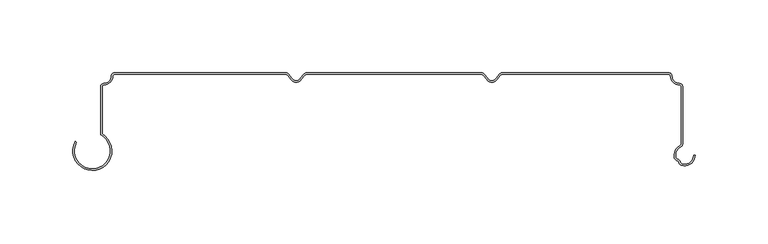
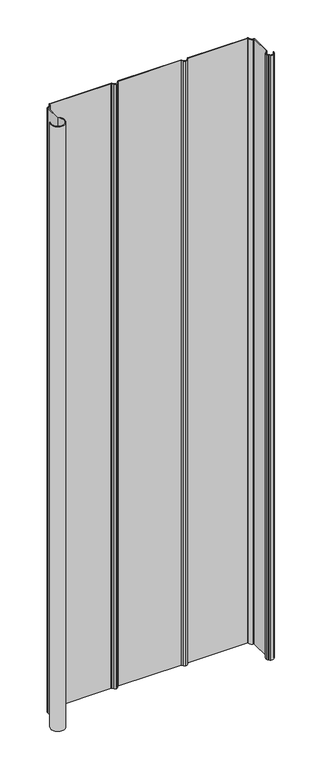
"""IFC4 building model written with IfcOpenShell, lengths in millimetres: plate geometry."""

from ifc_helpers import new_model, si_unit, point, frame_2d, origin, origin_with_axes, place, context, project, spatial, polyline, circle_curve, trimmed, segment, composite_curve, outline, extrude, source, transform, mapped, element, save


def plate_b1782430(model_context):
    return source(origin(), model_context, "Body", "SweptSolid", [
        extrude(outline(composite_curve([segment(polyline([(61.7509422, -1.016), (-58.482424, -1.016)]), True, "CONTINUOUS"), segment(trimmed(circle_curve(frame_2d((-58.3312707, -2.5726732)), 1.5639945), [point((-58.482424, -1.016))], [point((-59.6055521, -1.6658736))], True, "CARTESIAN"), True, "CONTINUOUS"), segment(polyline([(-59.6055521, -1.6658736), (-61.8577546, -4.4520544)]), True, "CONTINUOUS"), segment(trimmed(circle_curve(frame_2d((-65.7941789, -1.8878413)), 4.6979383), [point((-61.8577546, -4.4520544))], [point((-65.4833333, -6.5754846))], False, "CARTESIAN"), True, "CONTINUOUS"), segment(trimmed(circle_curve(frame_2d((-65.1734304, -1.8877792)), 4.697938), [point((-65.4833333, -6.5754846))], [point((-69.1093407, -4.4527805))], False, "CARTESIAN"), True, "CONTINUOUS"), segment(polyline([(-69.1093407, -4.4527805), (-71.3621011, -1.6670508)]), True, "CONTINUOUS"), segment(trimmed(circle_curve(frame_2d((-72.6392767, -2.5773045)), 1.5683556), [point((-71.3621011, -1.6670508))], [point((-72.4907255, -1.016))], True, "CARTESIAN"), True, "CONTINUOUS"), segment(polyline([(-72.4907255, -1.016), (-190.1937359, -1.016)]), True, "CONTINUOUS"), segment(trimmed(circle_curve(frame_2d((-190.1937359, -2.11836)), 1.10236), [point((-190.1937359, -1.016))], [point((-191.2960959, -2.11836))], True, "CARTESIAN"), True, "CONTINUOUS"), segment(trimmed(circle_curve(frame_2d((-197.4540096, -2.11836)), 6.1579136), [point((-191.2960959, -2.11836))], [point((-197.4540096, -8.2762736))], False, "CARTESIAN"), True, "CONTINUOUS"), segment(trimmed(circle_curve(frame_2d((-197.4540097, -9.5312639)), 1.2549903), [point((-197.4540096, -8.2762736))], [point((-198.709, -9.5312639))], True, "CARTESIAN"), True, "CONTINUOUS"), segment(polyline([(-198.709, -9.5312639), (-198.709, -41.9030792)]), True, "CONTINUOUS"), segment(trimmed(circle_curve(frame_2d((-205.3805882, -53.5211117)), 13.3973418), [point((-198.709, -41.9030792))], [point((-217.1360422, -47.0947543))], False, "CARTESIAN"), True, "CONTINUOUS"), segment(polyline([(-217.1360422, -47.0947543), (-216.2445563, -47.5821032)]), True, "CONTINUOUS"), segment(trimmed(circle_curve(frame_2d((-205.3805882, -53.5211117)), 12.3813418), [point((-216.2445563, -47.5821032))], [point((-199.725, -42.5069414))], True, "CARTESIAN"), True, "CONTINUOUS"), segment(polyline([(-199.725, -42.5069414), (-199.725, -9.5312639)]), True, "CONTINUOUS"), segment(trimmed(circle_curve(frame_2d((-197.4540097, -9.5312639)), 2.2709903), [point((-199.725, -9.5312639))], [point((-197.4540096, -7.2602736))], False, "CARTESIAN"), True, "CONTINUOUS"), segment(trimmed(circle_curve(frame_2d((-197.4540096, -2.11836)), 5.1419136), [point((-197.4540096, -7.2602736))], [point((-192.3120959, -2.11836))], True, "CARTESIAN"), True, "CONTINUOUS"), segment(trimmed(circle_curve(frame_2d((-190.1937359, -2.11836)), 2.11836), [point((-192.3120959, -2.11836))], [point((-190.1937359, 0.0))], False, "CARTESIAN"), True, "CONTINUOUS"), segment(polyline([(-190.1937359, 0.0), (-72.4271427, 0.0)]), True, "CONTINUOUS"), segment(trimmed(circle_curve(frame_2d((-72.622682, -2.3343375)), 2.342513), [point((-72.4271427, 0.0))], [point((-70.6739977, -1.0343389))], False, "CARTESIAN"), True, "CONTINUOUS"), segment(polyline([(-70.6739977, -1.0343389), (-68.4212373, -3.8200686)]), True, "CONTINUOUS"), segment(trimmed(circle_curve(frame_2d((-65.1734304, -1.6534042)), 3.904188), [point((-68.4212373, -3.8200686))], [point((-65.483413, -5.5452668))], True, "CARTESIAN"), True, "CONTINUOUS"), segment(trimmed(circle_curve(frame_2d((-65.7941789, -1.6534664)), 3.9041883), [point((-65.483413, -5.5452668))], [point((-62.5459378, -3.8194802))], True, "CARTESIAN"), True, "CONTINUOUS"), segment(polyline([(-62.5459378, -3.8194802), (-60.2993774, -1.0402792)]), True, "CONTINUOUS"), segment(trimmed(circle_curve(frame_2d((-58.3415342, -2.326443)), 2.342513), [point((-60.2993774, -1.0402792))], [point((-58.6154502, 0.0))], False, "CARTESIAN"), True, "CONTINUOUS"), segment(polyline([(-58.6154502, 0.0), (61.814525, 0.0)]), True, "CONTINUOUS"), segment(trimmed(circle_curve(frame_2d((61.6189857, -2.3343375)), 2.342513), [point((61.814525, 0.0))], [point((63.56767, -1.0343389))], False, "CARTESIAN"), True, "CONTINUOUS"), segment(polyline([(63.56767, -1.0343389), (65.8204304, -3.8200686)]), True, "CONTINUOUS"), segment(trimmed(circle_curve(frame_2d((69.0682373, -1.6534042)), 3.904188), [point((65.8204304, -3.8200686))], [point((68.7582538, -5.5452667))], True, "CARTESIAN"), True, "CONTINUOUS"), segment(trimmed(circle_curve(frame_2d((68.447489, -1.6534664)), 3.9041881), [point((68.7582538, -5.5452667))], [point((71.6957299, -3.8194802))], True, "CARTESIAN"), True, "CONTINUOUS"), segment(polyline([(71.6957299, -3.8194802), (73.9422903, -1.0402792)]), True, "CONTINUOUS"), segment(trimmed(circle_curve(frame_2d((75.9001335, -2.326443)), 2.342513), [point((73.9422903, -1.0402792))], [point((75.6262175, 0.0))], False, "CARTESIAN"), True, "CONTINUOUS"), segment(polyline([(75.6262175, 0.0), (190.193736, 0.0)]), True, "CONTINUOUS"), segment(trimmed(circle_curve(frame_2d((190.193736, -2.11836)), 2.11836), [point((190.193736, 0.0))], [point((192.312096, -2.11836))], False, "CARTESIAN"), True, "CONTINUOUS"), segment(trimmed(circle_curve(frame_2d((197.4540095, -2.11836)), 5.1419135), [point((192.312096, -2.11836))], [point((197.4540095, -7.2602735))], True, "CARTESIAN"), True, "CONTINUOUS"), segment(trimmed(circle_curve(frame_2d((197.4540096, -9.5312639)), 2.2709904), [point((197.4540095, -7.2602735))], [point((199.725, -9.5312639))], False, "CARTESIAN"), True, "CONTINUOUS"), segment(polyline([(199.725, -9.5312639), (199.725, -48.2559169)]), True, "CONTINUOUS"), segment(trimmed(circle_curve(frame_2d((196.5500001, -48.2559169)), 3.1749999), [point((199.725, -48.2559169))], [point((198.0667507, -51.0451985))], False, "CARTESIAN"), True, "CONTINUOUS"), segment(trimmed(circle_curve(frame_2d((201.0370542, -56.5075419)), 6.2177084), [point((198.0667507, -51.0451985))], [point((195.047731, -58.1772442))], True, "CARTESIAN"), True, "CONTINUOUS"), segment(trimmed(circle_curve(frame_2d((196.57692, -57.7509372)), 1.5875001), [point((195.047731, -58.1772442))], [point((196.2615587, -59.3067983))], True, "CARTESIAN"), True, "CONTINUOUS"), segment(trimmed(circle_curve(frame_2d((195.8071199, -61.5488102)), 2.287604), [point((196.2615587, -59.3067983))], [point((198.0643085, -61.1770147))], False, "CARTESIAN"), True, "CONTINUOUS"), segment(trimmed(circle_curve(frame_2d((199.6307015, -60.9190044)), 1.5875), [point((198.0643085, -61.1770147))], [point((199.1485234, -62.4315058))], True, "CARTESIAN"), True, "CONTINUOUS"), segment(trimmed(circle_curve(frame_2d((201.0370542, -56.5075419)), 6.2177083), [point((199.1485234, -62.4315058))], [point((207.2546727, -56.4741188))], True, "CARTESIAN"), True, "CONTINUOUS"), segment(polyline([(207.2546727, -56.4741188), (208.270658, -56.4686573)]), True, "CONTINUOUS"), segment(trimmed(circle_curve(frame_2d((201.0370542, -56.5075419)), 7.2337083), [point((208.270658, -56.4686573))], [point((198.8399294, -63.3995067))], False, "CARTESIAN"), True, "CONTINUOUS"), segment(trimmed(circle_curve(frame_2d((199.6307015, -60.9190044)), 2.6035), [point((198.8399294, -63.3995067))], [point((197.061817, -61.3421413))], False, "CARTESIAN"), True, "CONTINUOUS"), segment(trimmed(circle_curve(frame_2d((195.8071199, -61.5488102)), 1.271604), [point((197.061817, -61.3421413))], [point((196.0597275, -60.3025493))], True, "CARTESIAN"), True, "CONTINUOUS"), segment(trimmed(circle_curve(frame_2d((196.57692, -57.7509372)), 2.6035001), [point((196.0597275, -60.3025493))], [point((194.0690501, -58.4500806))], False, "CARTESIAN"), True, "CONTINUOUS"), segment(trimmed(circle_curve(frame_2d((201.0370542, -56.5075419)), 7.2337084), [point((194.0690501, -58.4500806))], [point((197.5813905, -50.1526284))], False, "CARTESIAN"), True, "CONTINUOUS"), segment(trimmed(circle_curve(frame_2d((196.5500001, -48.2559169)), 2.1589999), [point((197.5813905, -50.1526284))], [point((198.709, -48.2559169))], True, "CARTESIAN"), True, "CONTINUOUS"), segment(polyline([(198.709, -48.2559169), (198.709, -9.5312639)]), True, "CONTINUOUS"), segment(trimmed(circle_curve(frame_2d((197.4540096, -9.5312639)), 1.2549904), [point((198.709, -9.5312639))], [point((197.4540095, -8.2762735))], True, "CARTESIAN"), True, "CONTINUOUS"), segment(trimmed(circle_curve(frame_2d((197.4540095, -2.11836)), 6.1579135), [point((197.4540095, -8.2762735))], [point((191.296096, -2.11836))], False, "CARTESIAN"), True, "CONTINUOUS"), segment(trimmed(circle_curve(frame_2d((190.193736, -2.11836)), 1.10236), [point((191.296096, -2.11836))], [point((190.193736, -1.016))], True, "CARTESIAN"), True, "CONTINUOUS"), segment(polyline([(190.193736, -1.016), (75.7592438, -1.016)]), True, "CONTINUOUS"), segment(trimmed(circle_curve(frame_2d((75.9103971, -2.5726732)), 1.5639945), [point((75.7592438, -1.016))], [point((74.6361156, -1.6658736))], True, "CARTESIAN"), True, "CONTINUOUS"), segment(polyline([(74.6361156, -1.6658736), (72.3839131, -4.4520544)]), True, "CONTINUOUS"), segment(trimmed(circle_curve(frame_2d((68.447489, -1.8878413)), 4.6979382), [point((72.3839131, -4.4520544))], [point((68.7583333, -6.5754845))], False, "CARTESIAN"), True, "CONTINUOUS"), segment(trimmed(circle_curve(frame_2d((69.0682373, -1.8877792)), 4.697938), [point((68.7583333, -6.5754845))], [point((65.132327, -4.4527805))], False, "CARTESIAN"), True, "CONTINUOUS"), segment(polyline([(65.132327, -4.4527805), (62.8795666, -1.6670508)]), True, "CONTINUOUS"), segment(trimmed(circle_curve(frame_2d((61.602391, -2.5773045)), 1.5683556), [point((62.8795666, -1.6670508))], [point((61.7509422, -1.016))], True, "CARTESIAN"), True, "CONTINUOUS")], self_intersect=False)), origin_with_axes(), (0.0, 0.0, 1.0), 1228.3559792),
    ])


if __name__ == "__main__":
    model = new_model("IFC4")
    model_context = context("Model", 3, world=origin())
    ifc_project = project(units=[si_unit("LENGTHUNIT", "METRE", prefix="MILLI")], contexts=[model_context])
    site = spatial("IfcSite", under=ifc_project)
    building = spatial("IfcBuilding", under=site)
    placement = place(None, origin())
    plate_shape = plate_b1782430(model_context)
    element("IfcPlate", 1, at=placement, inside=building, context=model_context, shape_type="MappedRepresentation", body=[
        mapped(plate_shape, transform((0.0, 0.0, 0.0), x_axis=(1.0, 0.0, 0.0), y_axis=(0.0, 1.0, 0.0), z_axis=(0.0, 0.0, 1.0))),
    ])
    save(model, "model.ifc")
